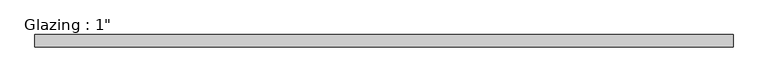
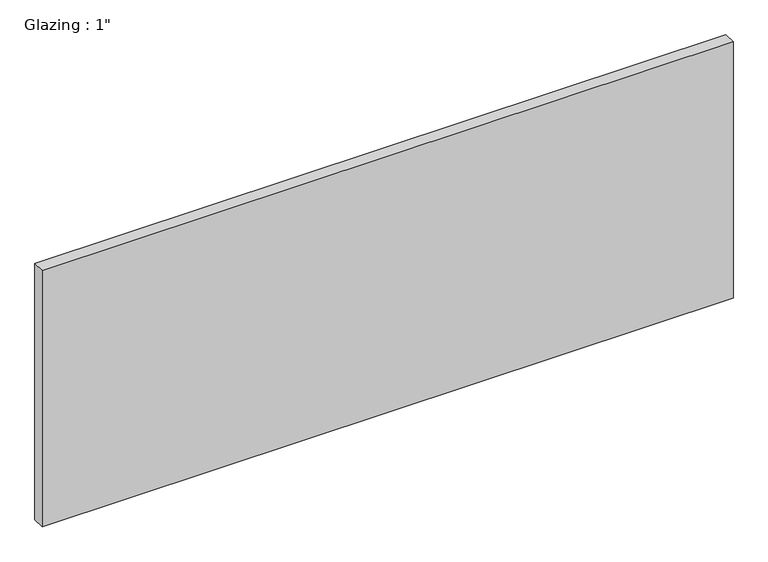
"""IFC4 building model written with IfcOpenShell, lengths in millimetres: plate geometry."""

import ifcopenshell
import ifcopenshell.guid

model = None  # the IFC model being written
_history = None  # IfcOwnerHistory: only IFC2X3 demands one
_inside = {}  # id of a spatial element -> (the spatial element, [elements in it])
_under = {}  # id of a project, library or spatial element -> (it, [spatial elements below it])
_declared = {}  # id of a project -> (the project, [libraries it declares])
_typed = {}  # id of a type object -> (the type object, [elements of that type])
_made_of = {}  # id of a material, layer set ... -> (it, [elements and type objects made of it])


def new_model(schema):
    """Start an empty IFC model of exactly this schema.

    Asked for "IFC4X3", IfcOpenShell would pick the latest addendum, in which some entities
    have other attributes; the version numbers below select the first issue.
    IFC2X3 requires an IfcOwnerHistory on every rooted entity: one is made here for all.
    """
    global model, _history
    if schema == "IFC4X3":
        model = ifcopenshell.file(schema_version=(4, 3, 0, 0))
    else:
        model = ifcopenshell.file(schema=schema)
    _inside.clear()
    _under.clear()
    _declared.clear()
    _typed.clear()
    _made_of.clear()
    _history = None
    if model.schema == "IFC2X3":
        org = make("IfcOrganization", Name="unknown")
        user = make(
            "IfcPersonAndOrganization",
            ThePerson=make("IfcPerson", FamilyName="unknown"),
            TheOrganization=org,
        )
        app = make(
            "IfcApplication",
            ApplicationDeveloper=org,
            Version="unknown",
            ApplicationFullName="unknown",
            ApplicationIdentifier="unknown",
        )
        _history = make(
            "IfcOwnerHistory",
            OwningUser=user,
            OwningApplication=app,
            ChangeAction="ADDED",
            CreationDate=0,
        )
    return model


def make(cls, **values):
    """One entity of the class cls with the attributes given. An attribute that is None is left unset."""
    return model.create_entity(
        cls, **{name: value for name, value in values.items() if value is not None}
    )


def rooted(cls, **values):
    """An entity with a GlobalId (a new one), such as an element, a storey or a relation."""
    return make(cls, GlobalId=ifcopenshell.guid.new(), OwnerHistory=_history, **values)


def si_unit(unit_type, name, prefix=None):
    """IfcSIUnit, for example si_unit("LENGTHUNIT", "METRE", prefix="MILLI")."""
    return make("IfcSIUnit", UnitType=unit_type, Prefix=prefix, Name=name)


def assignment(units):
    """IfcUnitAssignment: the units of a project."""
    return None if units is None else make("IfcUnitAssignment", Units=units)


def point(xyz):
    """IfcCartesianPoint."""
    return None if xyz is None else make("IfcCartesianPoint", Coordinates=xyz)


def direction(xyz):
    """IfcDirection."""
    return None if xyz is None else make("IfcDirection", DirectionRatios=xyz)


def frame(location, z_axis=None, x_axis=None):
    """IfcAxis2Placement3D, a coordinate frame: its origin and axes. An axis left out is left unset."""
    return make(
        "IfcAxis2Placement3D",
        Location=point(location),
        Axis=direction(z_axis),
        RefDirection=direction(x_axis),
    )


def origin():
    """The frame at (0, 0, 0) with its axes left unset."""
    return frame((0.0, 0.0, 0.0))


def origin_with_axes():
    """The frame at (0, 0, 0) with the z axis (0, 0, 1) and the x axis (1, 0, 0) written out."""
    return frame((0.0, 0.0, 0.0), z_axis=(0.0, 0.0, 1.0), x_axis=(1.0, 0.0, 0.0))


def place(relative_to, where):
    """IfcLocalPlacement: puts the frame where relative to a parent placement (None: the world)."""
    return make(
        "IfcLocalPlacement", PlacementRelTo=relative_to, RelativePlacement=where
    )


def context(
    kind, dimensions, precision=None, world=None, true_north=None, identifier=None
):
    """IfcGeometricRepresentationContext, for example the 3D "Model" context."""
    return make(
        "IfcGeometricRepresentationContext",
        ContextIdentifier=identifier,
        ContextType=kind,
        CoordinateSpaceDimension=dimensions,
        Precision=precision,
        WorldCoordinateSystem=world,
        TrueNorth=true_north,
    )


def project(units=None, contexts=None):
    """IfcProject with its units and contexts."""
    return rooted(
        "IfcProject",
        Name="project",
        RepresentationContexts=contexts,
        UnitsInContext=assignment(units),
    )


def spatial(cls, under=None, at=None, **own):
    """A site, building, storey or space (cls), placed at a placement, below another one or the project."""
    s = rooted(cls, ObjectPlacement=at, **own)
    if under is not None:
        _under.setdefault(under.id(), (under, []))[1].append(s)
    return s


def polyline(points):
    """IfcPolyline through the points."""
    return make("IfcPolyline", Points=[point(p) for p in points])


def outline(outer, holes=None, kind="AREA"):
    """IfcArbitraryClosedProfileDef: a profile drawn as a closed curve; with holes, ...WithVoids."""
    if holes is None:
        return make("IfcArbitraryClosedProfileDef", ProfileType=kind, OuterCurve=outer)
    return make(
        "IfcArbitraryProfileDefWithVoids",
        ProfileType=kind,
        OuterCurve=outer,
        InnerCurves=holes,
    )


def extrude(swept, where, along, depth):
    """IfcExtrudedAreaSolid: the profile swept, set in the frame where, extruded along a direction by depth."""
    return make(
        "IfcExtrudedAreaSolid",
        SweptArea=swept,
        Position=where,
        ExtrudedDirection=direction(along),
        Depth=depth,
    )


def shape(context_of_items, identifier, shape_type, items):
    """IfcShapeRepresentation: the items that make up one representation, for example the "Body"."""
    return make(
        "IfcShapeRepresentation",
        ContextOfItems=context_of_items,
        RepresentationIdentifier=identifier,
        RepresentationType=shape_type,
        Items=items,
    )


def source(mapping_origin, context_of_items, identifier, shape_type, items):
    """IfcRepresentationMap: a shape defined once, which mapped items show again and again."""
    return make(
        "IfcRepresentationMap",
        MappingOrigin=mapping_origin,
        MappedRepresentation=shape(context_of_items, identifier, shape_type, items),
    )


def transform(
    local_origin,
    x_axis=None,
    y_axis=None,
    z_axis=None,
    scale=None,
    scale2=None,
    scale3=None,
    uniform=True,
):
    """IfcCartesianTransformationOperator3D, or its non-uniform kind. x_axis, y_axis, z_axis: its Axis1, 2, 3."""
    if uniform:
        return make(
            "IfcCartesianTransformationOperator3D",
            Axis1=direction(x_axis),
            Axis2=direction(y_axis),
            LocalOrigin=point(local_origin),
            Scale=scale,
            Axis3=direction(z_axis),
        )
    return make(
        "IfcCartesianTransformationOperator3DnonUniform",
        Axis1=direction(x_axis),
        Axis2=direction(y_axis),
        LocalOrigin=point(local_origin),
        Scale=scale,
        Axis3=direction(z_axis),
        Scale2=scale2,
        Scale3=scale3,
    )


def mapped(mapping_source, mapping_target):
    """IfcMappedItem: shows the shape of a source again, moved by a transform."""
    return make(
        "IfcMappedItem", MappingSource=mapping_source, MappingTarget=mapping_target
    )


def made_of(thing, what):
    """Note that an element or type object is made of a material, layer set ...; save() writes the relation."""
    if what is not None:
        _made_of.setdefault(what.id(), (what, []))[1].append(thing)
    return thing


def element(
    cls,
    number,
    at=None,
    inside=None,
    cuts=None,
    type_object=None,
    material=None,
    context=None,
    identifier="Body",
    shape_type=None,
    held_by="IfcProductDefinitionShape",
    body=None,
    shapes=None,
    **own,
):
    """One element of the class cls, such as IfcWall. Its Tag is "e" and its number.

    at: its placement. inside: the storey or other place that contains it. cuts: it is an
    opening in that element (IfcRelVoidsElement). A single representation is given by context,
    identifier, shape_type and body (its items); several are given by shapes. held_by: the class
    of the entity that holds the representations. save() writes the other relations.
    """
    e = rooted(cls, Tag="e%d" % number, ObjectPlacement=at, **own)
    if body is not None:
        shapes = [shape(context, identifier, shape_type, body)]
    if shapes is not None:
        e.Representation = make(held_by, Representations=shapes)
    if inside is not None:
        _inside.setdefault(inside.id(), (inside, []))[1].append(e)
    if cuts is not None:
        rooted(
            "IfcRelVoidsElement", RelatingBuildingElement=cuts, RelatedOpeningElement=e
        )
    if type_object is not None:
        _typed.setdefault(type_object.id(), (type_object, []))[1].append(e)
    return made_of(e, material)


def aggregate(whole, parts):
    """IfcRelAggregates: a whole, such as a stair, and the parts it consists of."""
    return rooted("IfcRelAggregates", RelatingObject=whole, RelatedObjects=parts)


def save(model, path):
    """Write the relations noted so far, then the file.

    IfcRelAggregates (storeys below a building ...), IfcRelContainedInSpatialStructure (elements
    in a storey), IfcRelDefinesByType, IfcRelAssociatesMaterial and IfcRelDeclares: one each for
    every whole, place, type object, material and project.
    """
    for whole, parts in _under.values():
        aggregate(whole, parts)
    for where, things in _inside.values():
        rooted(
            "IfcRelContainedInSpatialStructure",
            RelatedElements=things,
            RelatingStructure=where,
        )
    for kind, things in _typed.values():
        rooted("IfcRelDefinesByType", RelatedObjects=things, RelatingType=kind)
    for what, things in _made_of.values():
        rooted("IfcRelAssociatesMaterial", RelatedObjects=things, RelatingMaterial=what)
    for by, libraries in _declared.values():
        rooted("IfcRelDeclares", RelatingContext=by, RelatedDefinitions=libraries)
    model.write(path)


def plate_ca51a4c1(model_context):
    return source(origin(), model_context, "Body", "SweptSolid", [
        extrude(outline(polyline([(713.8392649, -12.7), (-713.8392649, -12.7), (-713.8392649, 12.7), (713.8392649, 12.7), (713.8392649, -12.7)])), origin_with_axes(), (0.0, 0.0, 1.0), 560.0039722),
    ])


if __name__ == "__main__":
    model = new_model("IFC4")
    model_context = context("Model", 3, world=origin())
    ifc_project = project(units=[si_unit("LENGTHUNIT", "METRE", prefix="MILLI")], contexts=[model_context])
    site = spatial("IfcSite", under=ifc_project)
    building = spatial("IfcBuilding", under=site)
    placement = place(None, origin())
    plate_shape = plate_ca51a4c1(model_context)
    element("IfcPlate", 1, ObjectType="Glazing : 1\"", at=placement, inside=building, context=model_context, shape_type="MappedRepresentation", body=[
        mapped(plate_shape, transform((0.0, 0.0, 0.0), x_axis=(1.0, 0.0, 0.0), y_axis=(0.0, 1.0, 0.0), z_axis=(0.0, 0.0, 1.0))),
    ])
    save(model, "model.ifc")
